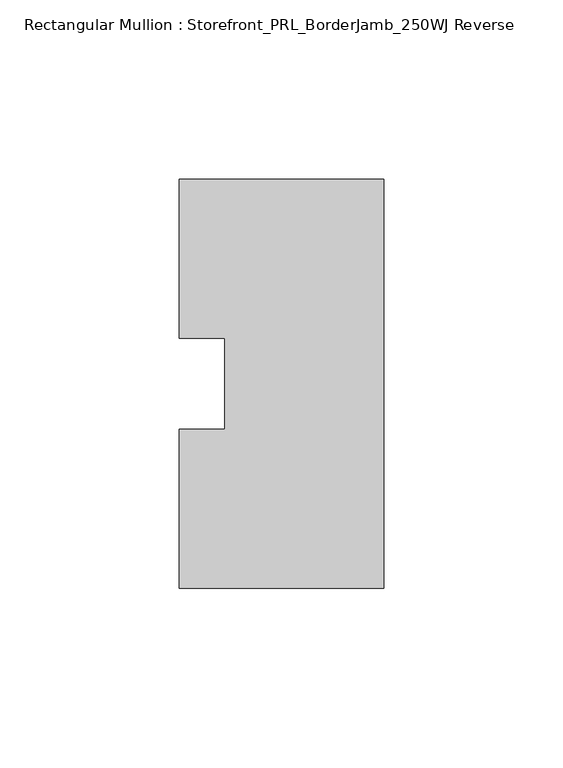
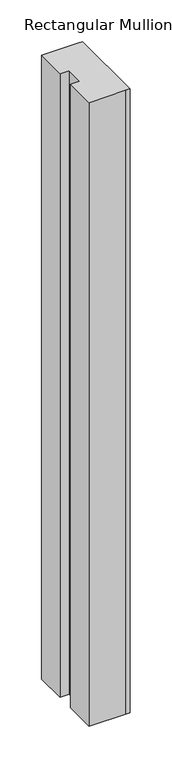
"""IFC4 building model written with IfcOpenShell, lengths in millimetres: member geometry, Rectangular Mullion : Storefront_PRL_BorderJamb_250WJ Reverse."""

from ifc_helpers import new_model, si_unit, frame, origin, place, context, project, spatial, polyline, outline, extrude, source, transform, mapped, element, save


def rectangular_mullion_storefront_prl_borderjamb_250wj_reverse_60c2591f(model_context):
    return source(origin(), model_context, "Body", "SweptSolid", [
        extrude(outline(polyline([(-44.45, -12.7), (-44.45, 12.7), (-57.15, 12.7), (-57.15, 57.15), (-7.3958824, 57.15), (0.0, 57.15), (0.0, -57.15), (-6.35, -57.15), (-57.15, -57.15), (-57.15, -12.7), (-44.45, -12.7)])), frame((0.0, 0.0, -914.4), z_axis=(0.0, 0.0, 1.0), x_axis=(1.0, 0.0, 0.0)), (0.0, 0.0, 1.0), 914.4),
    ])


if __name__ == "__main__":
    model = new_model("IFC4")
    model_context = context("Model", 3, world=origin())
    ifc_project = project(units=[si_unit("LENGTHUNIT", "METRE", prefix="MILLI")], contexts=[model_context])
    site = spatial("IfcSite", under=ifc_project)
    building = spatial("IfcBuilding", under=site)
    placement = place(None, origin())
    rectangular_mullion_storefront_prl_borderjamb_250wj_reverse_shape = rectangular_mullion_storefront_prl_borderjamb_250wj_reverse_60c2591f(model_context)
    element("IfcMember", 1, ObjectType="Rectangular Mullion : Storefront_PRL_BorderJamb_250WJ Reverse", at=placement, inside=building, context=model_context, shape_type="MappedRepresentation", body=[
        mapped(rectangular_mullion_storefront_prl_borderjamb_250wj_reverse_shape, transform((0.0, 0.0, 0.0), x_axis=(1.0, 0.0, 0.0), y_axis=(0.0, 1.0, 0.0), z_axis=(0.0, 0.0, 1.0))),
    ])
    save(model, "model.ifc")
